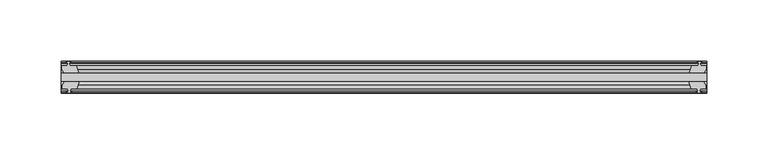
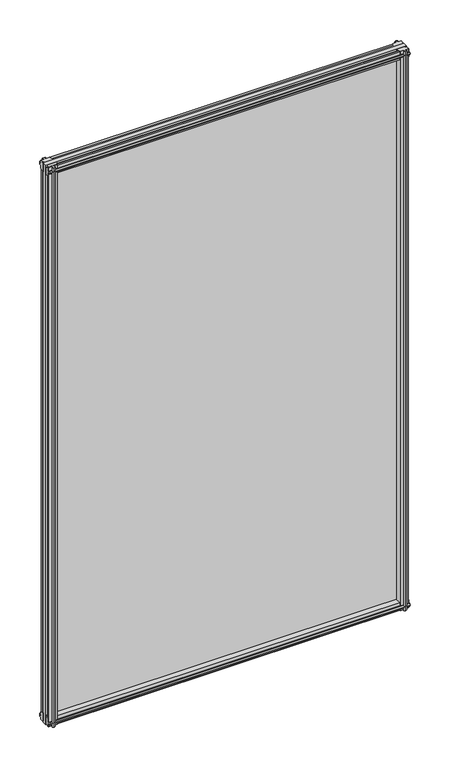
"""IFC4 building model written with IfcOpenShell, lengths in millimetres: plate geometry."""

from ifc_helpers import new_model, si_unit, frame, origin, place, context, project, spatial, polyline, outline, extrude, source, transform, mapped, element, save


def plate_debbab3d(model_context):
    return source(origin(), model_context, "Body", "SweptSolid", [
        extrude(outline(polyline([(-263.0357911, -19.5460937), (263.0357911, -19.5460937), (263.0357911, -25.8960937), (-263.0357911, -25.8960937), (-263.0357911, -19.5460937)])), frame((0.0, 0.0, -12.7), z_axis=(0.0, 0.0, 1.0), x_axis=(1.0, 0.0, 0.0)), (0.0, 0.0, 1.0), 863.6),
        extrude(outline(polyline([(260.0610949, -25.8960937), (262.2737911, -29.2996938), (262.2737911, -32.2460938), (257.8287911, -32.2460938), (257.4477911, -34.6262907), (258.8633202, -34.1663575), (258.8633202, -34.9675717), (256.6857911, -35.6750938), (254.5082621, -34.9675717), (254.5082621, -34.1663575), (255.9237911, -34.6262907), (255.5427911, -32.2460938), (250.3357911, -32.2460938), (248.230514, -25.8960937), (260.0610949, -25.8960937)])), frame((0.0, 0.0, -12.7), z_axis=(0.0, 0.0, 1.0), x_axis=(1.0, 0.0, 0.0)), (0.0, 0.0, 1.0), 863.6),
        extrude(outline(polyline([(255.0289621, -10.4746158), (257.2064911, -9.7670938), (259.3840202, -10.4746158), (259.3840202, -11.27583), (257.9684911, -10.8158968), (258.3494911, -13.1960938), (262.7944911, -13.1960938), (262.7944911, -16.1424938), (260.5817949, -19.5460937), (248.751214, -19.5460937), (250.8564911, -13.1960938), (256.0634911, -13.1960938), (256.4444911, -10.8158968), (255.0289621, -11.27583), (255.0289621, -10.4746158)])), frame((0.0, 0.0, -12.7), z_axis=(0.0, 0.0, 1.0), x_axis=(1.0, 0.0, 0.0)), (0.0, 0.0, 1.0), 863.6),
        extrude(outline(polyline([(-248.230514, -25.8960937), (-250.3357911, -32.2460937), (-255.5427911, -32.2460937), (-255.9237911, -34.6262907), (-254.5082621, -34.1663575), (-254.5082621, -34.9675717), (-256.6857911, -35.6750937), (-258.8633202, -34.9675717), (-258.8633202, -34.1663575), (-257.4477911, -34.6262907), (-257.8287911, -32.2460937), (-262.2737911, -32.2460937), (-262.2737911, -29.2996937), (-260.0610949, -25.8960937), (-248.230514, -25.8960937)])), frame((0.0, 0.0, -12.7), z_axis=(0.0, 0.0, 1.0), x_axis=(1.0, 0.0, 0.0)), (0.0, 0.0, 1.0), 863.6),
        extrude(outline(polyline([(-257.9684911, -10.8158968), (-259.3840202, -11.27583), (-259.3840202, -10.4746158), (-257.2064911, -9.7670937), (-255.0289621, -10.4746158), (-255.0289621, -11.27583), (-256.4444911, -10.8158968), (-256.0634911, -13.1960937), (-250.8564911, -13.1960937), (-248.751214, -19.5460937), (-260.5817949, -19.5460937), (-262.7944911, -16.1424937), (-262.7944911, -13.1960937), (-258.3494911, -13.1960937), (-257.9684911, -10.8158968)])), frame((0.0, 0.0, -12.7), z_axis=(0.0, 0.0, 1.0), x_axis=(1.0, 0.0, 0.0)), (0.0, 0.0, 1.0), 863.6),
        extrude(outline(polyline([(-13.1960937, 850.6587), (-13.1960937, 846.2137), (-10.8158968, 845.8327), (-11.27583, 847.248229), (-10.4746158, 847.248229), (-9.7670937, 845.0707), (-10.4746158, 842.8931709), (-11.27583, 842.8931709), (-10.8158968, 844.3087), (-13.1960937, 843.9277), (-13.1960937, 838.7207), (-19.5460937, 836.6154229), (-19.5460937, 848.4460038), (-16.1424937, 850.6587), (-13.1960937, 850.6587)])), frame((-263.0357911, 0.0, 0.0), z_axis=(1.0, 0.0, 0.0), x_axis=(0.0, 1.0, 0.0)), (0.0, 0.0, 1.0), 526.0715822),
        extrude(outline(polyline([(-29.2996937, 850.138), (-25.8960937, 847.9253038), (-25.8960937, 836.0947229), (-32.2460937, 838.2), (-32.2460937, 843.407), (-34.6262907, 843.788), (-34.1663575, 842.3724709), (-34.9675717, 842.3724709), (-35.6750937, 844.55), (-34.9675717, 846.7275291), (-34.1663575, 846.7275291), (-34.6262907, 845.312), (-32.2460937, 845.693), (-32.2460937, 850.138), (-29.2996937, 850.138)])), frame((-263.0357911, 0.0, 0.0), z_axis=(1.0, 0.0, 0.0), x_axis=(0.0, 1.0, 0.0)), (0.0, 0.0, 1.0), 526.0715822),
        extrude(outline(polyline([(-25.8960937, 2.1052771), (-25.8960937, -9.7253038), (-29.2996937, -11.938), (-32.2460937, -11.938), (-32.2460937, -7.493), (-34.6262907, -7.112), (-34.1663575, -8.5275291), (-34.9675717, -8.5275291), (-35.6750937, -6.35), (-34.9675717, -4.1724709), (-34.1663575, -4.1724709), (-34.6262907, -5.588), (-32.2460937, -5.207), (-32.2460937, 0.0), (-25.8960937, 2.1052771)])), frame((-263.0357911, 0.0, 0.0), z_axis=(1.0, 0.0, 0.0), x_axis=(0.0, 1.0, 0.0)), (0.0, 0.0, 1.0), 526.0715822),
        extrude(outline(polyline([(-19.5460937, 1.5845771), (-13.1960937, -0.5207), (-13.1960937, -5.7277), (-10.8158968, -6.1087), (-11.27583, -4.6931709), (-10.4746158, -4.6931709), (-9.7670937, -6.8707), (-10.4746158, -9.048229), (-11.27583, -9.048229), (-10.8158968, -7.6327), (-13.1960937, -8.0137), (-13.1960937, -12.4587), (-16.1424937, -12.4587), (-19.5460937, -10.2460038), (-19.5460937, 1.5845771)])), frame((-263.0357911, 0.0, 0.0), z_axis=(1.0, 0.0, 0.0), x_axis=(0.0, 1.0, 0.0)), (0.0, 0.0, 1.0), 526.0715822),
    ])


if __name__ == "__main__":
    model = new_model("IFC4")
    model_context = context("Model", 3, world=origin())
    ifc_project = project(units=[si_unit("LENGTHUNIT", "METRE", prefix="MILLI")], contexts=[model_context])
    site = spatial("IfcSite", under=ifc_project)
    building = spatial("IfcBuilding", under=site)
    placement = place(None, origin())
    plate_shape = plate_debbab3d(model_context)
    element("IfcPlate", 1, at=placement, inside=building, context=model_context, shape_type="MappedRepresentation", body=[
        mapped(plate_shape, transform((0.0, 0.0, 0.0), x_axis=(1.0, 0.0, 0.0), y_axis=(0.0, 1.0, 0.0), z_axis=(0.0, 0.0, 1.0))),
    ])
    save(model, "model.ifc")
